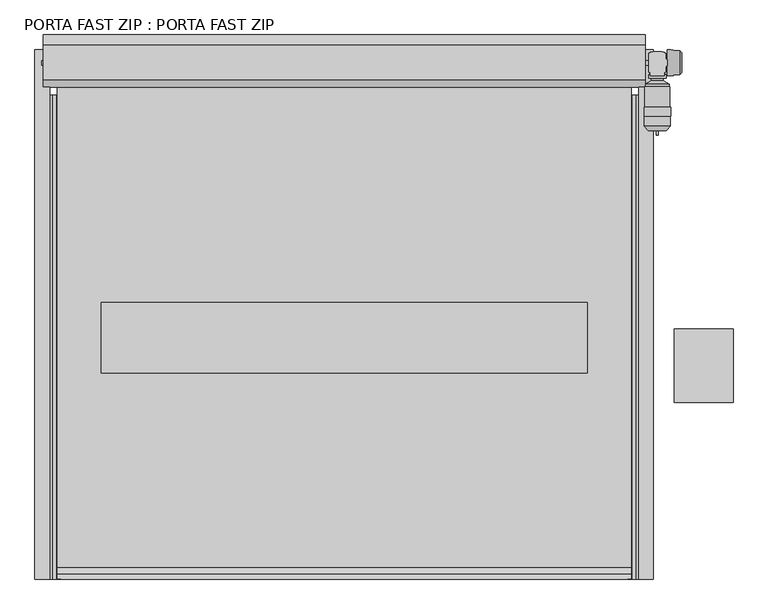
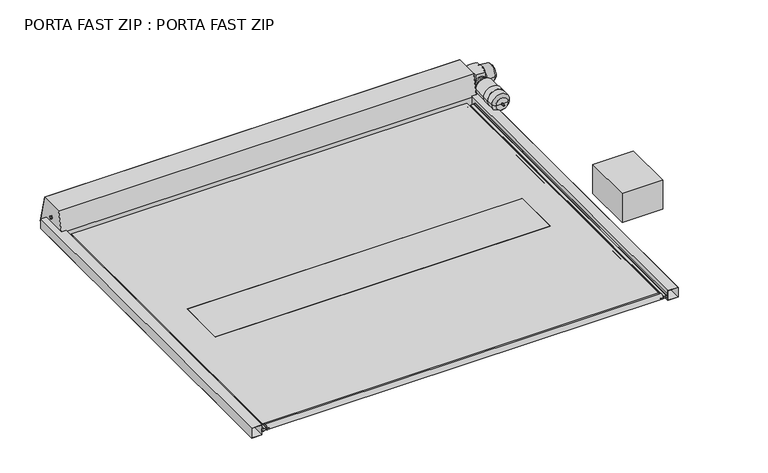
"""IFC4 building model written with IfcOpenShell, lengths in millimetres: proxy geometry, PORTA FAST ZIP : PORTA FAST ZIP."""

from ifc_helpers import new_model, si_unit, point, frame, frame_2d, origin, origin_with_axes, place, context, project, spatial, polyline, circle_curve, trimmed, segment, composite_curve, outline, extrude, source, transform, mapped, element, save
from ifc_brep_helpers import plane_surface, cylinder_surface, revolved_surface, advanced_brep


def porta_fast_zip_porta_fast_zip_3559e825(model_context):
    return source(origin(), model_context, "Body", "SolidModel", [
        extrude(outline(polyline([(101.0854166, 2000.0), (0.0, 2000.0), (0.0, 2101.0854166), (101.0854166, 2101.0854166), (101.0854166, 2000.0)]), holes=[polyline([(99.5854166, 2001.5), (99.5854166, 2099.5854166), (1.5, 2099.5854166), (1.5, 2001.5), (99.5854166, 2001.5)])]), frame((0.0, 0.0, 0.0), z_axis=(0.0, 1.0, 0.0), x_axis=(0.0, 0.0, 1.0)), (0.0, 0.0, 1.0), 3600.0),
        extrude(outline(polyline([(61.0, 2000.0), (61.0, 1984.0), (56.0, 1984.0), (56.0, 1957.2003424), (46.1, 1957.2003424), (46.1, 1926.35), (43.9, 1926.35), (43.9, 1957.2003424), (34.0, 1957.2003424), (34.0, 1984.0), (29.0, 1984.0), (29.0, 2000.0), (61.0, 2000.0)]), holes=[polyline([(54.5, 1985.5), (59.5, 1985.5), (59.5, 1998.5), (30.5, 1998.5), (30.5, 1985.5), (35.5, 1985.5), (35.5, 1958.7003424), (54.5, 1958.7003424), (54.5, 1985.5)])]), frame((0.0, 0.0, 0.0), z_axis=(0.0, 1.0, 0.0), x_axis=(0.0, 0.0, 1.0)), (0.0, 0.0, 1.0), 3290.0),
        extrude(outline(polyline([(101.0854166, -2000.0), (101.0854166, -2101.0854166), (0.0, -2101.0854166), (0.0, -2000.0), (101.0854166, -2000.0)]), holes=[polyline([(99.5854166, -2001.5), (1.5, -2001.5), (1.5, -2099.5854166), (99.5854166, -2099.5854166), (99.5854166, -2001.5)])]), frame((0.0, 0.0, 0.0), z_axis=(0.0, 1.0, 0.0), x_axis=(0.0, 0.0, 1.0)), (0.0, 0.0, 1.0), 3600.0),
        extrude(outline(polyline([(61.0, -2000.0), (29.0, -2000.0), (29.0, -1984.0), (34.0, -1984.0), (34.0, -1957.2003424), (43.9, -1957.2003424), (43.9, -1926.35), (46.1, -1926.35), (46.1, -1957.2003424), (56.0, -1957.2003424), (56.0, -1984.0), (61.0, -1984.0), (61.0, -2000.0)]), holes=[polyline([(54.5, -1985.5), (54.5, -1958.7003424), (35.5, -1958.7003424), (35.5, -1985.5), (30.5, -1985.5), (30.5, -1998.5), (59.5, -1998.5), (59.5, -1985.5), (54.5, -1985.5)])]), frame((0.0, 0.0, 0.0), z_axis=(0.0, 1.0, 0.0), x_axis=(0.0, 0.0, 1.0)), (0.0, 0.0, 1.0), 3290.0),
        extrude(outline(polyline([(1650.0, 1879.752957), (1650.0, 1400.0), (-1650.0, 1400.0), (-1650.0, 1879.752957), (1650.0, 1879.752957)])), frame((0.0, 0.0, 45.6000748), z_axis=(0.0, 0.0, 1.0), x_axis=(1.0, 0.0, 0.0)), (0.0, 0.0, 1.0), 1.0),
        advanced_brep(
        [(-1950.0, 3455.0, 45.6000748), (-1950.0, 3455.0, 46.600401), (1950.0, 3455.0, 46.600401), (1950.0, 3455.0, 45.6000748), (-1950.0, 79.8109554, 45.6000748), (-1950.0, 36.1989348, 23.7487021), (-1950.0, 36.1988011, 68.4515144), (-1950.0, 79.8109554, 46.600401), (1950.0, 79.8109554, 46.600401), (1950.0, 36.1988011, 68.4515144), (1950.0, 36.1989348, 23.7487021), (1950.0, 79.8109554, 45.6000748), (-1650.0, 1879.752957, 46.600401), (1650.0, 1879.752957, 46.600401), (1650.0, 1400.0, 46.600401), (-1650.0, 1400.0, 46.600401), (1650.0, 1879.752957, 45.6000748), (-1650.0, 1879.752957, 45.6000748), (-1650.0, 1400.0, 45.6000748), (1650.0, 1400.0, 45.6000748)],
        [
            (0, 1),
            (1, 2),
            (2, 3),
            (3, 0),
            (4, 5),
            (5, 6, circle_curve(frame((-1950.0, 25.0, 46.1000748), z_axis=(-1.0, 0.0, 0.0), x_axis=(0.0, 1.0, 0.0)), 25.0)),
            (6, 7),
            (7, 1),
            (0, 4),
            (8, 9),
            (9, 10, circle_curve(frame((1950.0, 25.0, 46.1000748), z_axis=(1.0, 0.0, 0.0), x_axis=(0.0, 1.0, 0.0)), 25.0)),
            (10, 11),
            (11, 3),
            (2, 8),
            (7, 8),
            (12, 13),
            (13, 14),
            (14, 15),
            (15, 12),
            (6, 9),
            (5, 10),
            (4, 11),
            (16, 17),
            (17, 18),
            (18, 19),
            (19, 16),
            (12, 17),
            (16, 13),
            (15, 18),
            (14, 19),
        ],
        [
            plane_surface(frame((1950.0, 3455.0, 421.6982124), z_axis=(0.0, 1.0, 0.0), x_axis=(-1.0, 0.0, 0.0))),
            plane_surface(frame((-1950.0, 79.8109554, 46.600401), z_axis=(-1.0, 0.0, 0.0), x_axis=(0.0, 0.89405758556227, -0.44795204397185673))),
            plane_surface(frame((1950.0, 79.8109554, 46.600401), z_axis=(1.0, 0.0, 0.0), x_axis=(0.0, -0.89405758556227, 0.44795204397185673))),
            plane_surface(frame((1950.0, 6100.0, 46.600401), z_axis=(0.0, 0.0, 1.0), x_axis=(-1.0, 0.0, 0.0))),
            plane_surface(frame((1950.0, 79.8109554, 46.600401), z_axis=(0.0, 0.44795204397185673, 0.89405758556227), x_axis=(-1.0, 0.0, 0.0))),
            cylinder_surface(frame((-1950.0, 25.0, 46.1000748), z_axis=(1.0, 0.0, 0.0), x_axis=(0.0, 1.0, 0.0)), 25.0),
            plane_surface(frame((1950.0, 36.1989348, 23.7487021), z_axis=(0.0, 0.4479573905276503, -0.894054906743237), x_axis=(-1.0, 0.0, 0.0))),
            plane_surface(frame((1950.0, 79.8109554, 45.6000748), z_axis=(0.0, 0.0, -1.0), x_axis=(-1.0, 0.0, 0.0))),
            plane_surface(frame((-1650.0, 1879.752957, 41.6000748), z_axis=(0.0, -1.0, 0.0), x_axis=(0.0, 0.0, 1.0))),
            plane_surface(frame((-1650.0, 1400.0, 41.6000748), z_axis=(1.0, 0.0, 0.0), x_axis=(0.0, 0.0, 1.0))),
            plane_surface(frame((1650.0, 1400.0, 41.6000748), z_axis=(0.0, 1.0, 0.0), x_axis=(0.0, 0.0, 1.0))),
            plane_surface(frame((1650.0, 1879.752957, 41.6000748), z_axis=(-1.0, 0.0, 0.0), x_axis=(0.0, 0.0, 1.0))),
        ],
        [
            (0, [[1, 2, 3, 4]]),
            (1, [[5, 6, 7, 8, -1, 9]]),
            (2, [[10, 11, 12, 13, -3, 14]]),
            (3, [[15, -14, -2, -8], [16, 17, 18, 19]]),
            (4, [[-7, 20, -10, -15]]),
            (5, [[-6, 21, -11, -20]]),
            (6, [[-5, 22, -12, -21]]),
            (7, [[-22, -9, -4, -13], [23, 24, 25, 26]]),
            (8, [[27, -23, 28, -16]]),
            (9, [[-27, -19, 29, -24]]),
            (10, [[-29, -18, 30, -25]]),
            (11, [[-30, -17, -28, -26]]),
        ],
    ),
        advanced_brep(
        [(2127.8000288, 3018.2242112, 154.7822909), (2121.8000278, 3018.2242112, 154.7822909), (2133.8000298, 3018.2242112, 154.7822909), (2080.8019955, 3441.117049, 154.7822909), (2127.8000288, 3441.117049, 154.7822909), (2174.798062, 3441.117049, 154.7822909), (2067.7622627, 3428.0773162, 154.7822909), (2187.8377948, 3428.0773162, 154.7822909), (2067.7622627, 3406.7242112, 154.7822909), (2187.8377948, 3406.7242112, 154.7822909), (2086.7919444, 3406.7242112, 154.7822909), (2168.8081132, 3406.7242112, 154.7822909), (2086.7919444, 3389.6793541, 154.7822909), (2168.8081132, 3389.6793541, 154.7822909), (2046.7530531, 3364.2242112, 154.7822909), (2208.8470044, 3364.2242112, 154.7822909), (2046.7530531, 3347.2242112, 154.7822909), (2208.8470044, 3347.2242112, 154.7822909), (2042.4201627, 3347.2242112, 154.7822909), (2213.1798949, 3347.2242112, 154.7822909), (2042.4201627, 3209.7242112, 154.7822909), (2213.1798949, 3209.7242112, 154.7822909), (2038.2305827, 3209.7242112, 154.7822909), (2217.3694749, 3209.7242112, 154.7822909), (2038.2305827, 3147.1242052, 154.7822909), (2217.3694749, 3147.1242052, 154.7822909), (2039.9064842, 3147.1242052, 154.7822909), (2215.6935733, 3147.1242052, 154.7822909), (2039.9064842, 3078.3179707, 154.7822909), (2215.6935733, 3078.3179707, 154.7822909), (2066.0773862, 3050.2531142, 154.7822909), (2189.5226713, 3050.2531142, 154.7822909), (2119.1617167, 3050.2531142, 154.7822909), (2136.4383408, 3050.2531142, 154.7822909), (2119.1617167, 3048.2242112, 154.7822909), (2136.4383408, 3048.2242112, 154.7822909), (2120.7730148, 3048.2242112, 154.7822909), (2134.8270427, 3048.2242112, 154.7822909), (2120.7730148, 3019.2512241, 154.7822909), (2134.8270427, 3019.2512241, 154.7822909)],
        [
            (0, 1),
            (1, 2, circle_curve(frame((2127.8000288, 3018.2242112, 154.7822909), z_axis=(0.0, -1.0, 0.0), x_axis=(1.0, 0.0, 0.0)), 6.000001)),
            (2, 0),
            (2, 1, circle_curve(frame((2127.8000288, 3018.2242112, 154.7822909), z_axis=(0.0, -1.0, 0.0), x_axis=(1.0, 0.0, 0.0)), 6.000001)),
            (3, 4),
            (4, 5),
            (5, 3, circle_curve(frame((2127.8000288, 3441.117049, 154.7822909), z_axis=(0.0, 1.0, 0.0), x_axis=(1.0, 0.0, 0.0)), 46.9980332)),
            (3, 5, circle_curve(frame((2127.8000288, 3441.117049, 154.7822909), z_axis=(0.0, 1.0, 0.0), x_axis=(1.0, 0.0, 0.0)), 46.9980332)),
            (6, 3),
            (5, 7),
            (7, 6, circle_curve(frame((2127.8000288, 3428.0773162, 154.7822909), z_axis=(0.0, 1.0, 0.0), x_axis=(1.0, 0.0, 0.0)), 60.037766)),
            (6, 7, circle_curve(frame((2127.8000288, 3428.0773162, 154.7822909), z_axis=(0.0, 1.0, 0.0), x_axis=(1.0, 0.0, 0.0)), 60.037766)),
            (8, 6),
            (7, 9),
            (9, 8, circle_curve(frame((2127.8000288, 3406.7242112, 154.7822909), z_axis=(0.0, 1.0, 0.0), x_axis=(1.0, 0.0, 0.0)), 60.037766)),
            (8, 9, circle_curve(frame((2127.8000288, 3406.7242112, 154.7822909), z_axis=(0.0, 1.0, 0.0), x_axis=(1.0, 0.0, 0.0)), 60.037766)),
            (10, 8),
            (9, 11),
            (11, 10, circle_curve(frame((2127.8000288, 3406.7242112, 154.7822909), z_axis=(0.0, 1.0, 0.0), x_axis=(1.0, 0.0, 0.0)), 41.0080844)),
            (10, 11, circle_curve(frame((2127.8000288, 3406.7242112, 154.7822909), z_axis=(0.0, 1.0, 0.0), x_axis=(1.0, 0.0, 0.0)), 41.0080844)),
            (12, 10),
            (11, 13),
            (13, 12, circle_curve(frame((2127.8000288, 3389.6793541, 154.7822909), z_axis=(0.0, 1.0, 0.0), x_axis=(1.0, 0.0, 0.0)), 41.0080844)),
            (12, 13, circle_curve(frame((2127.8000288, 3389.6793541, 154.7822909), z_axis=(0.0, 1.0, 0.0), x_axis=(1.0, 0.0, 0.0)), 41.0080844)),
            (14, 12),
            (13, 15),
            (15, 14, circle_curve(frame((2127.8000288, 3364.2242112, 154.7822909), z_axis=(0.0, 1.0, 0.0), x_axis=(1.0, 0.0, 0.0)), 81.0469756)),
            (14, 15, circle_curve(frame((2127.8000288, 3364.2242112, 154.7822909), z_axis=(0.0, 1.0, 0.0), x_axis=(1.0, 0.0, 0.0)), 81.0469756)),
            (16, 14),
            (15, 17),
            (17, 16, circle_curve(frame((2127.8000288, 3347.2242112, 154.7822909), z_axis=(0.0, 1.0, 0.0), x_axis=(1.0, 0.0, 0.0)), 81.0469756)),
            (16, 17, circle_curve(frame((2127.8000288, 3347.2242112, 154.7822909), z_axis=(0.0, 1.0, 0.0), x_axis=(1.0, 0.0, 0.0)), 81.0469756)),
            (18, 16),
            (17, 19),
            (19, 18, circle_curve(frame((2127.8000288, 3347.2242112, 154.7822909), z_axis=(0.0, 1.0, 0.0), x_axis=(1.0, 0.0, 0.0)), 85.3798661)),
            (18, 19, circle_curve(frame((2127.8000288, 3347.2242112, 154.7822909), z_axis=(0.0, 1.0, 0.0), x_axis=(1.0, 0.0, 0.0)), 85.3798661)),
            (20, 18),
            (19, 21),
            (21, 20, circle_curve(frame((2127.8000288, 3209.7242112, 154.7822909), z_axis=(0.0, 1.0, 0.0), x_axis=(1.0, 0.0, 0.0)), 85.3798661)),
            (20, 21, circle_curve(frame((2127.8000288, 3209.7242112, 154.7822909), z_axis=(0.0, 1.0, 0.0), x_axis=(1.0, 0.0, 0.0)), 85.3798661)),
            (22, 20),
            (21, 23),
            (23, 22, circle_curve(frame((2127.8000288, 3209.7242112, 154.7822909), z_axis=(0.0, 1.0, 0.0), x_axis=(1.0, 0.0, 0.0)), 89.5694461)),
            (22, 23, circle_curve(frame((2127.8000288, 3209.7242112, 154.7822909), z_axis=(0.0, 1.0, 0.0), x_axis=(1.0, 0.0, 0.0)), 89.5694461)),
            (24, 22),
            (23, 25),
            (25, 24, circle_curve(frame((2127.8000288, 3147.1242052, 154.7822909), z_axis=(0.0, 1.0, 0.0), x_axis=(1.0, 0.0, 0.0)), 89.5694461)),
            (24, 25, circle_curve(frame((2127.8000288, 3147.1242052, 154.7822909), z_axis=(0.0, 1.0, 0.0), x_axis=(1.0, 0.0, 0.0)), 89.5694461)),
            (26, 24),
            (25, 27),
            (27, 26, circle_curve(frame((2127.8000288, 3147.1242052, 154.7822909), z_axis=(0.0, 1.0, 0.0), x_axis=(1.0, 0.0, 0.0)), 87.8935446)),
            (26, 27, circle_curve(frame((2127.8000288, 3147.1242052, 154.7822909), z_axis=(0.0, 1.0, 0.0), x_axis=(1.0, 0.0, 0.0)), 87.8935446)),
            (28, 26),
            (27, 29),
            (29, 28, circle_curve(frame((2127.8000288, 3078.3179707, 154.7822909), z_axis=(0.0, 1.0, 0.0), x_axis=(1.0, 0.0, 0.0)), 87.8935446)),
            (28, 29, circle_curve(frame((2127.8000288, 3078.3179707, 154.7822909), z_axis=(0.0, 1.0, 0.0), x_axis=(1.0, 0.0, 0.0)), 87.8935446)),
            (30, 28),
            (29, 31),
            (31, 30, circle_curve(frame((2127.8000288, 3050.2531142, 154.7822909), z_axis=(0.0, 1.0, 0.0), x_axis=(1.0, 0.0, 0.0)), 61.7226426)),
            (30, 31, circle_curve(frame((2127.8000288, 3050.2531142, 154.7822909), z_axis=(0.0, 1.0, 0.0), x_axis=(1.0, 0.0, 0.0)), 61.7226426)),
            (32, 30),
            (31, 33),
            (33, 32, circle_curve(frame((2127.8000288, 3050.2531142, 154.7822909), z_axis=(0.0, 1.0, 0.0), x_axis=(1.0, 0.0, 0.0)), 8.6383121)),
            (32, 33, circle_curve(frame((2127.8000288, 3050.2531142, 154.7822909), z_axis=(0.0, 1.0, 0.0), x_axis=(1.0, 0.0, 0.0)), 8.6383121)),
            (34, 32),
            (33, 35),
            (35, 34, circle_curve(frame((2127.8000288, 3048.2242112, 154.7822909), z_axis=(0.0, 1.0, 0.0), x_axis=(1.0, 0.0, 0.0)), 8.6383121)),
            (34, 35, circle_curve(frame((2127.8000288, 3048.2242112, 154.7822909), z_axis=(0.0, 1.0, 0.0), x_axis=(1.0, 0.0, 0.0)), 8.6383121)),
            (36, 34),
            (35, 37),
            (37, 36, circle_curve(frame((2127.8000288, 3048.2242112, 154.7822909), z_axis=(0.0, 1.0, 0.0), x_axis=(1.0, 0.0, 0.0)), 7.0270139)),
            (36, 37, circle_curve(frame((2127.8000288, 3048.2242112, 154.7822909), z_axis=(0.0, 1.0, 0.0), x_axis=(1.0, 0.0, 0.0)), 7.0270139)),
            (38, 36),
            (37, 39),
            (39, 38, circle_curve(frame((2127.8000288, 3019.2512241, 154.7822909), z_axis=(0.0, 1.0, 0.0), x_axis=(1.0, 0.0, 0.0)), 7.0270139)),
            (38, 39, circle_curve(frame((2127.8000288, 3019.2512241, 154.7822909), z_axis=(0.0, 1.0, 0.0), x_axis=(1.0, 0.0, 0.0)), 7.0270139)),
            (1, 38),
            (39, 2),
        ],
        [
            plane_surface(frame((2127.8000288, 3018.2242112, 154.7822909), z_axis=(0.0, -1.0, 0.0), x_axis=(1.0, 0.0, 0.0))),
            plane_surface(frame((2127.8000288, 3441.117049, 154.7822909), z_axis=(0.0, 1.0, 0.0), x_axis=(1.0, 0.0, 0.0))),
            revolved_surface(polyline([(2174.798062, 3441.117049, 154.7822909), (2187.8377948, 3428.0773162, 154.7822909)]), (2127.8000288, 3421.2242112, 154.7822909), (0.0, -1.0, 0.0)),
            cylinder_surface(frame((2127.8000288, 3421.2242112, 154.7822909), z_axis=(0.0, -1.0, 0.0), x_axis=(1.0, 0.0, 0.0)), 60.037766),
            plane_surface(frame((2127.8000288, 3406.7242112, 154.7822909), z_axis=(0.0, -1.0, 0.0), x_axis=(1.0, 0.0, 0.0))),
            cylinder_surface(frame((2127.8000288, 3421.2242112, 154.7822909), z_axis=(0.0, -1.0, 0.0), x_axis=(1.0, 0.0, 0.0)), 41.0080844),
            revolved_surface(polyline([(2168.8081132, 3389.6793541, 154.7822909), (2208.8470044, 3364.2242112, 154.7822909)]), (2127.8000288, 3421.2242112, 154.7822909), (0.0, -1.0, 0.0)),
            cylinder_surface(frame((2127.8000288, 3421.2242112, 154.7822909), z_axis=(0.0, -1.0, 0.0), x_axis=(1.0, 0.0, 0.0)), 81.0469756),
            plane_surface(frame((2127.8000288, 3347.2242112, 154.7822909), z_axis=(0.0, 1.0, 0.0), x_axis=(1.0, 0.0, 0.0))),
            cylinder_surface(frame((2127.8000288, 3421.2242112, 154.7822909), z_axis=(0.0, -1.0, 0.0), x_axis=(1.0, 0.0, 0.0)), 85.3798661),
            plane_surface(frame((2127.8000288, 3209.7242112, 154.7822909), z_axis=(0.0, 1.0, 0.0), x_axis=(1.0, 0.0, 0.0))),
            cylinder_surface(frame((2127.8000288, 3421.2242112, 154.7822909), z_axis=(0.0, -1.0, 0.0), x_axis=(1.0, 0.0, 0.0)), 89.5694461),
            plane_surface(frame((2127.8000288, 3147.1242052, 154.7822909), z_axis=(0.0, -1.0, 0.0), x_axis=(1.0, 0.0, 0.0))),
            cylinder_surface(frame((2127.8000288, 3421.2242112, 154.7822909), z_axis=(0.0, -1.0, 0.0), x_axis=(1.0, 0.0, 0.0)), 87.8935446),
            revolved_surface(polyline([(2215.6935733, 3078.3179707, 154.7822909), (2189.5226713, 3050.2531142, 154.7822909)]), (2127.8000288, 3421.2242112, 154.7822909), (0.0, -1.0, 0.0)),
            plane_surface(frame((2127.8000288, 3050.2531142, 154.7822909), z_axis=(0.0, -1.0, 0.0), x_axis=(1.0, 0.0, 0.0))),
            cylinder_surface(frame((2127.8000288, 3421.2242112, 154.7822909), z_axis=(0.0, -1.0, 0.0), x_axis=(1.0, 0.0, 0.0)), 8.6383121),
            plane_surface(frame((2127.8000288, 3048.2242112, 154.7822909), z_axis=(0.0, -1.0, 0.0), x_axis=(1.0, 0.0, 0.0))),
            cylinder_surface(frame((2127.8000288, 3421.2242112, 154.7822909), z_axis=(0.0, -1.0, 0.0), x_axis=(1.0, 0.0, 0.0)), 7.0270139),
            revolved_surface(polyline([(2134.8270427, 3019.2512241, 154.7822909), (2133.8000298, 3018.2242112, 154.7822909)]), (2127.8000288, 3421.2242112, 154.7822909), (0.0, -1.0, 0.0)),
        ],
        [
            (0, [[1, 2, 3]]),
            (0, [[-3, 4, -1]]),
            (1, [[5, 6, 7]]),
            (1, [[-6, -5, 8]]),
            (2, [[9, -7, 10, 11]]),
            (2, [[-10, -8, -9, 12]]),
            (3, [[13, -11, 14, 15]]),
            (3, [[-14, -12, -13, 16]]),
            (4, [[17, -15, 18, 19]]),
            (4, [[-18, -16, -17, 20]]),
            (5, [[21, -19, 22, 23]]),
            (5, [[-22, -20, -21, 24]]),
            (6, [[25, -23, 26, 27]]),
            (6, [[-26, -24, -25, 28]]),
            (7, [[29, -27, 30, 31]]),
            (7, [[-30, -28, -29, 32]]),
            (8, [[33, -31, 34, 35]]),
            (8, [[-34, -32, -33, 36]]),
            (9, [[37, -35, 38, 39]]),
            (9, [[-38, -36, -37, 40]]),
            (10, [[41, -39, 42, 43]]),
            (10, [[-42, -40, -41, 44]]),
            (11, [[45, -43, 46, 47]]),
            (11, [[-46, -44, -45, 48]]),
            (12, [[49, -47, 50, 51]]),
            (12, [[-50, -48, -49, 52]]),
            (13, [[53, -51, 54, 55]]),
            (13, [[-54, -52, -53, 56]]),
            (14, [[57, -55, 58, 59]]),
            (14, [[-58, -56, -57, 60]]),
            (15, [[61, -59, 62, 63]]),
            (15, [[-62, -60, -61, 64]]),
            (16, [[65, -63, 66, 67]]),
            (16, [[-66, -64, -65, 68]]),
            (17, [[69, -67, 70, 71]]),
            (17, [[-70, -68, -69, 72]]),
            (18, [[73, -71, 74, 75]]),
            (18, [[-74, -72, -73, 76]]),
            (19, [[77, -75, 78, -2]]),
            (19, [[-78, -76, -77, -4]]),
        ],
    ),
        advanced_brep(
        [(2194.4535548, 3421.4495291, 154.7822909), (2194.4535548, 3510.4495291, 154.7822909), (2194.4535548, 3599.4495291, 154.7822909), (2279.6414958, 3429.0207358, 154.7822909), (2279.6414958, 3591.8783223, 154.7822909), (2294.4535548, 3441.4495291, 154.7822909), (2294.4535548, 3579.4495291, 154.7822909), (2294.4535548, 3510.4495291, 154.7822909)],
        [
            (0, 1),
            (1, 2),
            (2, 0, circle_curve(frame((2194.4535548, 3510.4495291, 154.7822909), z_axis=(-1.0, 0.0, 0.0), x_axis=(0.0, 1.0, 0.0)), 89.0)),
            (0, 2, circle_curve(frame((2194.4535548, 3510.4495291, 154.7822909), z_axis=(-1.0, 0.0, 0.0), x_axis=(0.0, 1.0, 0.0)), 89.0)),
            (3, 0),
            (2, 4),
            (4, 3, circle_curve(frame((2279.6414958, 3510.4495291, 154.7822909), z_axis=(-1.0, 0.0, 0.0), x_axis=(0.0, 1.0, 0.0)), 81.4287932)),
            (3, 4, circle_curve(frame((2279.6414958, 3510.4495291, 154.7822909), z_axis=(-1.0, 0.0, 0.0), x_axis=(0.0, 1.0, 0.0)), 81.4287932)),
            (5, 3),
            (4, 6),
            (6, 5, circle_curve(frame((2294.4535548, 3510.4495291, 154.7822909), z_axis=(-1.0, 0.0, 0.0), x_axis=(0.0, 1.0, 0.0)), 69.0)),
            (5, 6, circle_curve(frame((2294.4535548, 3510.4495291, 154.7822909), z_axis=(-1.0, 0.0, 0.0), x_axis=(0.0, 1.0, 0.0)), 69.0)),
            (7, 5),
            (6, 7),
        ],
        [
            plane_surface(frame((2194.4535548, 3510.4495291, 154.7822909), z_axis=(-1.0, 0.0, 0.0), x_axis=(0.0, 1.0, 0.0))),
            revolved_surface(polyline([(2194.4535548, 3599.4495291, 154.7822909), (2279.6414958, 3591.8783223, 154.7822909)]), (2294.4535548, 3510.4495291, 154.7822909), (1.0, 0.0, 0.0)),
            revolved_surface(polyline([(2279.6414958, 3591.8783223, 154.7822909), (2294.4535548, 3579.4495291, 154.7822909)]), (2294.4535548, 3510.4495291, 154.7822909), (1.0, 0.0, 0.0)),
            plane_surface(frame((2294.4535548, 3510.4495291, 154.7822909), z_axis=(1.0, 0.0, 0.0), x_axis=(0.0, 1.0, 0.0))),
        ],
        [
            (0, [[1, 2, 3]]),
            (0, [[-2, -1, 4]]),
            (1, [[5, -3, 6, 7]]),
            (1, [[-6, -4, -5, 8]]),
            (2, [[9, -7, 10, 11]]),
            (2, [[-10, -8, -9, 12]]),
            (3, [[13, -11, 14]]),
            (3, [[-14, -12, -13]]),
        ],
    ),
        extrude(outline(polyline([(2070.3000298, 3575.7242112), (2080.8000298, 3575.7242112), (2080.8000298, 3580.7242112), (2099.6821938, 3580.7242112), (2099.8000298, 3585.2242112), (2155.8000298, 3585.2242112), (2155.9178658, 3580.7242112), (2174.8000298, 3580.7242112), (2174.8000448, 3575.7242112), (2185.3000298, 3575.7242112), (2185.3000678, 3533.2242112), (2187.8000298, 3533.2242112), (2187.8000298, 3532.2242112), (2194.4535548, 3532.213895), (2194.4535548, 3502.2270042), (2194.4535548, 3489.2242112), (2187.8000298, 3489.2242112), (2187.8000298, 3488.2242112), (2185.3000298, 3488.2242112), (2185.3000298, 3445.7242112), (2174.8000448, 3445.7242112), (2174.7895008, 3421.2242112), (2080.8105568, 3421.2242112), (2080.8000298, 3445.7242112), (2070.3000298, 3445.7242112), (2070.3000298, 3575.7242112)])), frame((0.0, 0.0, 65.7822909), z_axis=(0.0, 0.0, 1.0), x_axis=(1.0, 0.0, 0.0)), (0.0, 0.0, 1.0), 178.0),
        extrude(outline(composite_curve([segment(trimmed(circle_curve(frame_2d((3510.4495291, 155.2590182)), 15.0), [point((3525.4495291, 155.2590182))], [point((3495.4495291, 155.2590182))], False, "CARTESIAN"), True, "CONTINUOUS"), segment(trimmed(circle_curve(frame_2d((3510.4495291, 155.2590182)), 15.0), [point((3495.4495291, 155.2590182))], [point((3525.4495291, 155.2590182))], False, "CARTESIAN"), True, "CONTINUOUS")], self_intersect=False)), frame((-2056.0, 0.0, 0.0), z_axis=(1.0, 0.0, 0.0), x_axis=(0.0, 1.0, 0.0)), (0.0, 0.0, 1.0), 4293.5003124),
        extrude(outline(polyline([(3345.2735043, 0.0), (3345.2735043, 90.2091256), (3391.5040345, 292.0), (3628.4575006, 292.0), (3698.4575006, 0.0), (3345.2735043, 0.0)])), frame((-2046.0, 0.0, 0.0), z_axis=(1.0, 0.0, 0.0), x_axis=(0.0, 1.0, 0.0)), (0.0, 0.0, 1.0), 5.0),
        extrude(outline(polyline([(3345.2735043, 0.0), (3345.2735043, 90.2091256), (3391.5040345, 292.0), (3628.4575006, 292.0), (3698.4575006, 0.0), (3345.2735043, 0.0)])), frame((2041.0, 0.0, 0.0), z_axis=(1.0, 0.0, 0.0), x_axis=(0.0, 1.0, 0.0)), (0.0, 0.0, 1.0), 5.0),
        extrude(outline(polyline([(3629.640411, 293.5), (3700.0, 0.0), (3698.4575006, 0.0), (3628.4575006, 292.0), (3391.5040345, 292.0), (3345.2735043, 90.2091256), (3345.2735043, 0.0), (3343.7735043, 0.0), (3343.7735043, 90.3787541), (3390.3088242, 293.5), (3629.640411, 293.5)])), frame((-2046.0, 0.0, 0.0), z_axis=(1.0, 0.0, 0.0), x_axis=(0.0, 1.0, 0.0)), (0.0, 0.0, 1.0), 4092.0),
        extrude(outline(polyline([(2242.0, 1700.0), (2642.0, 1700.0), (2642.0, 1200.0), (2242.0, 1200.0), (2242.0, 1700.0)])), origin_with_axes(), (0.0, 0.0, 1.0), 300.0),
    ])


if __name__ == "__main__":
    model = new_model("IFC4")
    model_context = context("Model", 3, world=origin())
    ifc_project = project(units=[si_unit("LENGTHUNIT", "METRE", prefix="MILLI")], contexts=[model_context])
    site = spatial("IfcSite", under=ifc_project)
    building = spatial("IfcBuilding", under=site)
    placement = place(None, origin())
    porta_fast_zip_porta_fast_zip_shape = porta_fast_zip_porta_fast_zip_3559e825(model_context)
    element("IfcBuildingElementProxy", 1, Name="PORTA FAST ZIP : PORTA FAST ZIP", ObjectType="PORTA FAST ZIP : PORTA FAST ZIP", at=placement, inside=building, context=model_context, shape_type="MappedRepresentation", body=[
        mapped(porta_fast_zip_porta_fast_zip_shape, transform((0.0, 0.0, 0.0), x_axis=(1.0, 0.0, 0.0), y_axis=(0.0, 1.0, 0.0), z_axis=(0.0, 0.0, 1.0))),
    ])
    save(model, "model.ifc")
